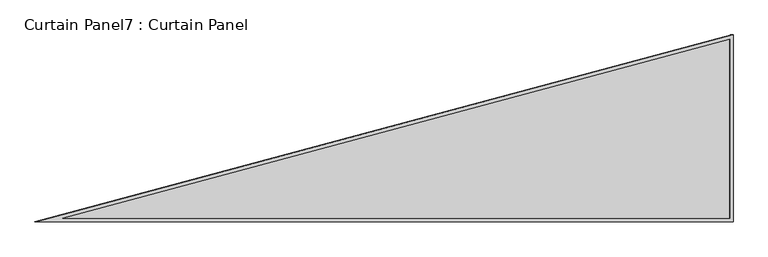
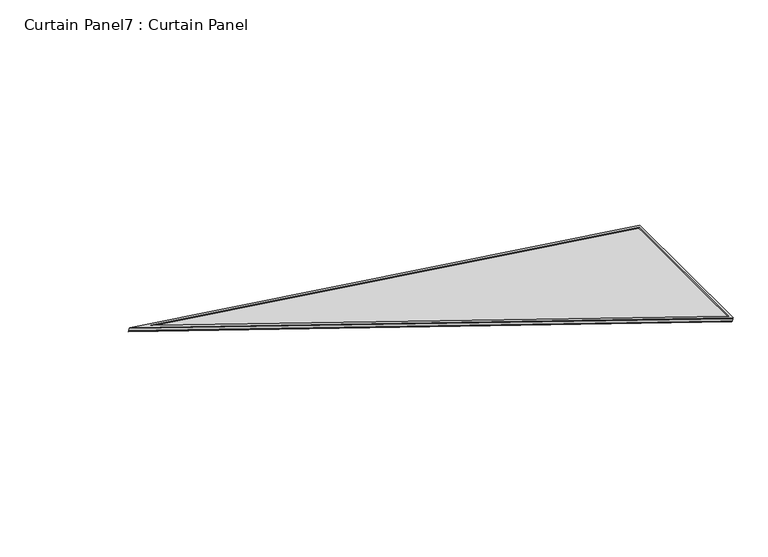
"""IFC4 building model written with IfcOpenShell, lengths in millimetres: plate geometry, Curtain Panel7 : Curtain Panel."""

from ifc_helpers import new_model, si_unit, frame, origin, place, context, project, spatial, polyline, outline, extrude, source, transform, mapped, element, save


def curtain_panel7_curtain_panel_e7adc8c1(model_context):
    return source(origin(), model_context, "Body", "SweptSolid", [
        extrude(outline(polyline([(879.2745575, -16.6627979), (-16.6627979, -16.6627979), (-16.6627979, 3507.7878639), (879.2745575, -16.6627979)]), holes=[polyline([(857.8460182, 0.0), (0.0, 3374.6064367), (0.0, 0.0), (857.8460182, 0.0)])]), frame((18926.0587008, 2225.8714697, 903.9365709), z_axis=(0.3161458239736528, 0.0, 0.9487106081329649), x_axis=(0.0, 1.0, 0.0)), (0.0, 0.0, 1.0), 4.8649148),
        extrude(outline(polyline([(885.6245575, -10.3127979), (-10.3127979, -10.3127979), (-10.3127979, 3514.1378639), (885.6245575, -10.3127979)]), holes=[polyline([(872.3621872, 0.0), (0.0, 3431.7103418), (0.0, 0.0), (872.3621872, 0.0)])]), frame((18926.5207939, 2219.5214697, 885.2375817), z_axis=(0.31614582397380203, 0.0, 0.9487106081329153), x_axis=(0.0, 1.0, 0.0)), (0.0, 0.0, 1.0), 4.7703307),
        extrude(outline(polyline([(20.1836541, 0.0), (916.1210095, 0.0), (916.1210095, -3524.4506618), (20.1836541, 0.0)])), frame((18937.8298598, 3125.3296813, 886.5541669), z_axis=(0.3161458239738058, 0.0, 0.948710608132914), x_axis=(0.0, -1.0, 0.0)), (0.0, 0.0, 1.0), 12.7694684),
    ])


if __name__ == "__main__":
    model = new_model("IFC4")
    model_context = context("Model", 3, world=origin())
    ifc_project = project(units=[si_unit("LENGTHUNIT", "METRE", prefix="MILLI")], contexts=[model_context])
    site = spatial("IfcSite", under=ifc_project)
    building = spatial("IfcBuilding", under=site)
    placement = place(None, origin())
    curtain_panel7_curtain_panel_shape = curtain_panel7_curtain_panel_e7adc8c1(model_context)
    element("IfcPlate", 1, ObjectType="Curtain Panel7 : Curtain Panel", at=placement, inside=building, context=model_context, shape_type="MappedRepresentation", body=[
        mapped(curtain_panel7_curtain_panel_shape, transform((0.0, 0.0, 0.0), x_axis=(1.0, 0.0, 0.0), y_axis=(0.0, 1.0, 0.0), z_axis=(0.0, 0.0, 1.0))),
    ])
    save(model, "model.ifc")
